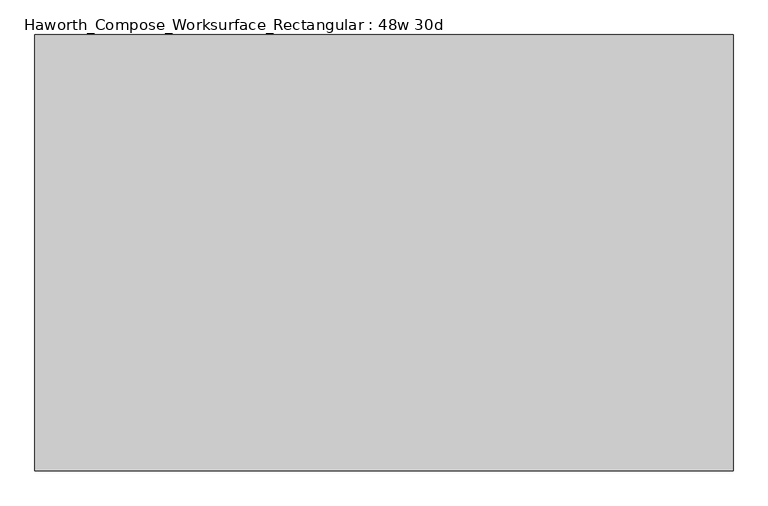
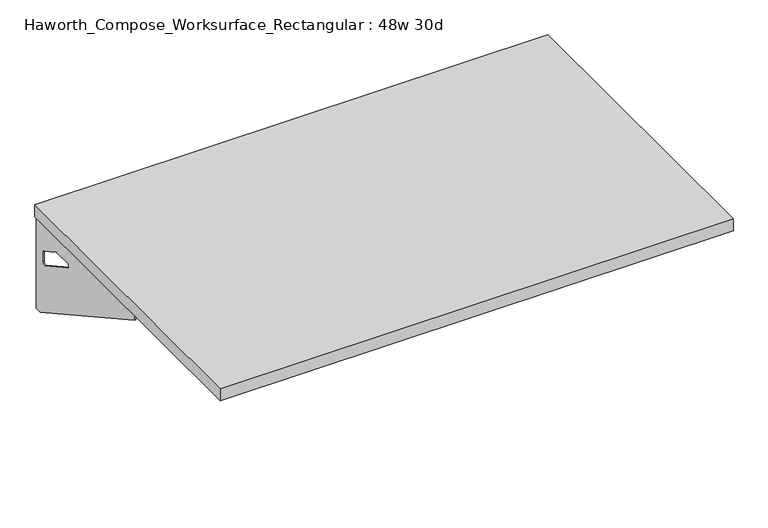
"""IFC4 building model written with IfcOpenShell, lengths in millimetres: furniture geometry, Haworth_Compose_Worksurface_Rectangular : 48w 30d."""

from ifc_helpers import new_model, si_unit, frame, origin, place, context, project, spatial, polyline, circle_curve, outline, extrude, source, transform, mapped, element, save
from ifc_brep_helpers import plane_surface, revolved_surface, advanced_brep


def haworth_compose_worksurface_rectangular_48w_30d_88270255(model_context):
    return source(origin(), model_context, "Body", "SolidModel", [
        advanced_brep(
        [(604.04375, 381.0, 475.45625), (604.04375, 365.125, 475.45625), (604.04375, -25.4, 691.7192568), (604.04375, -25.4, 704.05625), (604.04375, 365.125, 704.05625), (604.04375, 381.0, 704.05625), (604.04375, 297.690072, 665.95625), (604.04375, 254.0355284, 665.95625), (604.04375, 251.3564235, 656.3705539), (604.04375, 343.0776173, 605.5776439), (604.04375, 352.425, 611.1756969), (604.04375, 352.425, 634.6860246), (604.04375, 350.6730055, 637.5242776), (604.04375, 300.7663437, 665.1613425), (606.425, 381.0, 475.45625), (606.425, 381.0, 704.05625), (606.425, 365.125, 704.05625), (606.425, 365.125, 706.4375), (606.425, -25.4, 706.4375), (606.425, -25.4, 691.7192568), (606.425, 365.125, 475.45625), (606.425, 297.690072, 665.95625), (606.425, 300.7663437, 665.1613425), (606.425, 350.6730055, 637.5242776), (606.425, 352.425, 634.6860246), (606.425, 352.425, 611.1756969), (606.425, 343.0776173, 605.5776439), (606.425, 251.3564235, 656.3705539), (606.425, 254.0355284, 665.95625), (565.15, -25.4, 706.4375), (565.15, -25.4, 704.05625), (565.15, 365.125, 704.05625), (565.15, 365.125, 706.4375)],
        [
            (0, 1),
            (1, 2),
            (2, 3),
            (3, 4),
            (4, 5),
            (5, 0),
            (6, 7),
            (7, 8, circle_curve(frame((604.04375, 254.0355284, 660.7890106), z_axis=(1.0, 0.0, 0.0), x_axis=(0.0, -1.0, 0.0)), 5.1672394)),
            (8, 9),
            (9, 10, circle_curve(frame((604.04375, 346.075, 611.1756969), z_axis=(1.0, 0.0, 0.0), x_axis=(0.0, -1.0, 0.0)), 6.35)),
            (10, 11),
            (11, 12, circle_curve(frame((604.04375, 349.25, 634.6860246), z_axis=(1.0, 0.0, 0.0), x_axis=(0.0, -1.0, 0.0)), 3.175)),
            (12, 13),
            (13, 6, circle_curve(frame((604.04375, 297.690072, 659.60625), z_axis=(1.0, 0.0, 0.0), x_axis=(0.0, -1.0, 0.0)), 6.35)),
            (14, 15),
            (15, 16),
            (16, 17),
            (17, 18),
            (18, 19),
            (19, 20),
            (20, 14),
            (21, 22, circle_curve(frame((606.425, 297.690072, 659.60625), z_axis=(-1.0, 0.0, 0.0), x_axis=(0.0, -1.0, 0.0)), 6.35)),
            (22, 23),
            (23, 24, circle_curve(frame((606.425, 349.25, 634.6860246), z_axis=(-1.0, 0.0, 0.0), x_axis=(0.0, -1.0, 0.0)), 3.175)),
            (24, 25),
            (25, 26, circle_curve(frame((606.425, 346.075, 611.1756969), z_axis=(-1.0, 0.0, 0.0), x_axis=(0.0, -1.0, 0.0)), 6.35)),
            (26, 27),
            (27, 28, circle_curve(frame((606.425, 254.0355284, 660.7890106), z_axis=(-1.0, 0.0, 0.0), x_axis=(0.0, -1.0, 0.0)), 5.1672394)),
            (28, 21),
            (4, 16),
            (15, 5),
            (14, 0),
            (20, 1),
            (19, 2),
            (18, 29),
            (29, 30),
            (30, 3),
            (6, 21),
            (28, 7),
            (9, 26),
            (25, 10),
            (24, 11),
            (23, 12),
            (27, 8),
            (31, 4),
            (30, 31),
            (32, 29),
            (17, 32),
            (31, 32),
            (22, 13),
        ],
        [
            plane_surface(frame((604.04375, 381.0, 475.45625), z_axis=(-1.0, 0.0, 0.0), x_axis=(0.0, 1.0, 0.0))),
            plane_surface(frame((606.425, 381.0, 475.45625), z_axis=(1.0, 0.0, 0.0), x_axis=(0.0, -1.0, 0.0))),
            plane_surface(frame((606.425, -25.4, 704.05625), z_axis=(0.0, 0.0, 1.0), x_axis=(-1.0, 0.0, 0.0))),
            plane_surface(frame((606.425, 381.0, 704.05625), z_axis=(0.0, 1.0, 0.0), x_axis=(-1.0, 0.0, 0.0))),
            plane_surface(frame((606.425, 381.0, 475.45625), z_axis=(0.0, 0.0, -1.0), x_axis=(-1.0, 0.0, 0.0))),
            plane_surface(frame((606.425, 365.125, 475.45625), z_axis=(0.0, -0.48445223513455843, -0.8748177135112952), x_axis=(-1.0, 0.0, 0.0))),
            plane_surface(frame((606.425, -25.4, 691.7192568), z_axis=(0.0, -1.0, 0.0), x_axis=(-1.0, 0.0, 0.0))),
            plane_surface(frame((606.425, 297.690072, 665.95625), z_axis=(0.0, 0.0, -1.0), x_axis=(-1.0, 0.0, 0.0))),
            revolved_surface(polyline([(604.04375, 339.72499999999997, 611.1756969), (606.425, 339.72499999999997, 611.1756969)]), (606.425, 346.075, 611.1756969), (-1.0, 0.0, 0.0)),
            plane_surface(frame((606.425, 352.425, 611.1756969), z_axis=(0.0, -1.0, 0.0), x_axis=(-1.0, 0.0, 0.0))),
            revolved_surface(polyline([(604.04375, 346.075, 634.6860246), (606.425, 346.075, 634.6860246)]), (606.425, 349.25, 634.6860246), (-1.0, 0.0, 0.0)),
            revolved_surface(polyline([(604.04375, 248.868289, 660.7890106), (606.425, 248.868289, 660.7890106)]), (606.425, 254.0355284, 660.7890106), (-1.0, 0.0, 0.0)),
            plane_surface(frame((606.425, 365.125, 704.05625), z_axis=(0.0, 0.0, -1.0), x_axis=(-1.0, 0.0, 0.0))),
            plane_surface(frame((606.425, 365.125, 706.4375), z_axis=(0.0, 0.0, 1.0), x_axis=(1.0, 0.0, 0.0))),
            plane_surface(frame((565.15, 365.125, 706.4375), z_axis=(0.0, 1.0, 0.0), x_axis=(0.0, 0.0, -1.0))),
            plane_surface(frame((565.15, -25.4, 706.4375), z_axis=(-1.0, 0.0, 0.0), x_axis=(0.0, 0.0, -1.0))),
            plane_surface(frame((606.425, 251.3564235, 656.3705539), z_axis=(0.0, 0.4844522351345583, 0.8748177135112953), x_axis=(-1.0, 0.0, 0.0))),
            plane_surface(frame((606.425, 350.6730055, 637.5242776), z_axis=(0.0, -0.4844522351345582, -0.8748177135112953), x_axis=(-1.0, 0.0, 0.0))),
            revolved_surface(polyline([(604.04375, 291.34007199999996, 659.60625), (606.425, 291.34007199999996, 659.60625)]), (606.425, 297.690072, 659.60625), (-1.0, 0.0, 0.0)),
        ],
        [
            (0, [[1, 2, 3, 4, 5, 6], [7, 8, 9, 10, 11, 12, 13, 14]]),
            (1, [[15, 16, 17, 18, 19, 20, 21], [22, 23, 24, 25, 26, 27, 28, 29]]),
            (2, [[-5, 30, -16, 31]]),
            (3, [[-31, -15, 32, -6]]),
            (4, [[-32, -21, 33, -1]]),
            (5, [[-33, -20, 34, -2]]),
            (6, [[-34, -19, 35, 36, 37, -3]]),
            (7, [[38, -29, 39, -7]]),
            (8, [[40, -26, 41, -10]]),
            (9, [[-41, -25, 42, -11]]),
            (10, [[-42, -24, 43, -12]]),
            (11, [[-39, -28, 44, -8]]),
            (12, [[45, -4, -37, 46]]),
            (13, [[47, -35, -18, 48]]),
            (14, [[-17, -30, -45, 49, -48]]),
            (15, [[-36, -47, -49, -46]]),
            (16, [[-44, -27, -40, -9]]),
            (17, [[-43, -23, 50, -13]]),
            (18, [[-50, -22, -38, -14]]),
        ],
    ),
        advanced_brep(
        [(-604.04375, 381.0, 475.45625), (-604.04375, 381.0, 704.05625), (-604.04375, 365.125, 704.05625), (-604.04375, -25.4, 704.05625), (-604.04375, -25.4, 691.7192568), (-604.04375, 365.125, 475.45625), (-604.04375, 297.690072, 665.95625), (-604.04375, 300.7663437, 665.1613425), (-604.04375, 350.6730055, 637.5242776), (-604.04375, 352.425, 634.6860246), (-604.04375, 352.425, 611.1756969), (-604.04375, 343.0776173, 605.5776439), (-604.04375, 251.3564235, 656.3705539), (-604.04375, 254.0355284, 665.95625), (-606.425, 381.0, 475.45625), (-606.425, 365.125, 475.45625), (-606.425, -25.4, 691.7192568), (-606.425, -25.4, 706.4375), (-606.425, 365.125, 706.4375), (-606.425, 365.125, 704.05625), (-606.425, 381.0, 704.05625), (-606.425, 297.690072, 665.95625), (-606.425, 254.0355284, 665.95625), (-606.425, 251.3564235, 656.3705539), (-606.425, 343.0776173, 605.5776439), (-606.425, 352.425, 611.1756969), (-606.425, 352.425, 634.6860246), (-606.425, 350.6730055, 637.5242776), (-606.425, 300.7663437, 665.1613425), (-565.15, -25.4, 704.05625), (-565.15, -25.4, 706.4375), (-565.15, 365.125, 704.05625), (-565.15, 365.125, 706.4375)],
        [
            (0, 1),
            (1, 2),
            (2, 3),
            (3, 4),
            (4, 5),
            (5, 0),
            (6, 7, circle_curve(frame((-604.04375, 297.690072, 659.60625), z_axis=(-1.0, 0.0, 0.0), x_axis=(0.0, -1.0, 0.0)), 6.35)),
            (7, 8),
            (8, 9, circle_curve(frame((-604.04375, 349.25, 634.6860246), z_axis=(-1.0, 0.0, 0.0), x_axis=(0.0, -1.0, 0.0)), 3.175)),
            (9, 10),
            (10, 11, circle_curve(frame((-604.04375, 346.075, 611.1756969), z_axis=(-1.0, 0.0, 0.0), x_axis=(0.0, -1.0, 0.0)), 6.35)),
            (11, 12),
            (12, 13, circle_curve(frame((-604.04375, 254.0355284, 660.7890106), z_axis=(-1.0, 0.0, 0.0), x_axis=(0.0, -1.0, 0.0)), 5.1672394)),
            (13, 6),
            (14, 15),
            (15, 16),
            (16, 17),
            (17, 18),
            (18, 19),
            (19, 20),
            (20, 14),
            (21, 22),
            (22, 23, circle_curve(frame((-606.425, 254.0355284, 660.7890106), z_axis=(1.0, 0.0, 0.0), x_axis=(0.0, -1.0, 0.0)), 5.1672394)),
            (23, 24),
            (24, 25, circle_curve(frame((-606.425, 346.075, 611.1756969), z_axis=(1.0, 0.0, 0.0), x_axis=(0.0, -1.0, 0.0)), 6.35)),
            (25, 26),
            (26, 27, circle_curve(frame((-606.425, 349.25, 634.6860246), z_axis=(1.0, 0.0, 0.0), x_axis=(0.0, -1.0, 0.0)), 3.175)),
            (27, 28),
            (28, 21, circle_curve(frame((-606.425, 297.690072, 659.60625), z_axis=(1.0, 0.0, 0.0), x_axis=(0.0, -1.0, 0.0)), 6.35)),
            (1, 20),
            (19, 2),
            (0, 14),
            (5, 15),
            (4, 16),
            (3, 29),
            (29, 30),
            (30, 17),
            (13, 22),
            (21, 6),
            (10, 25),
            (24, 11),
            (9, 26),
            (8, 27),
            (12, 23),
            (31, 29),
            (2, 31),
            (32, 18),
            (30, 32),
            (32, 31),
            (7, 28),
        ],
        [
            plane_surface(frame((-604.04375, 381.0, 475.45625), z_axis=(1.0, 0.0, 0.0), x_axis=(0.0, 1.0, 0.0))),
            plane_surface(frame((-606.425, 381.0, 475.45625), z_axis=(-1.0, 0.0, 0.0), x_axis=(0.0, -1.0, 0.0))),
            plane_surface(frame((-606.425, -25.4, 704.05625), z_axis=(0.0, 0.0, 1.0), x_axis=(1.0, 0.0, 0.0))),
            plane_surface(frame((-606.425, 381.0, 704.05625), z_axis=(0.0, 1.0, 0.0), x_axis=(1.0, 0.0, 0.0))),
            plane_surface(frame((-606.425, 381.0, 475.45625), z_axis=(0.0, 0.0, -1.0), x_axis=(1.0, 0.0, 0.0))),
            plane_surface(frame((-606.425, 365.125, 475.45625), z_axis=(0.0, -0.48445223513455843, -0.8748177135112952), x_axis=(1.0, 0.0, 0.0))),
            plane_surface(frame((-606.425, -25.4, 691.7192568), z_axis=(0.0, -1.0, 0.0), x_axis=(1.0, 0.0, 0.0))),
            plane_surface(frame((-606.425, 297.690072, 665.95625), z_axis=(0.0, 0.0, -1.0), x_axis=(1.0, 0.0, 0.0))),
            revolved_surface(polyline([(-604.04375, 339.72499999999997, 611.1756969), (-606.425, 339.72499999999997, 611.1756969)]), (-606.425, 346.075, 611.1756969), (1.0, 0.0, 0.0)),
            plane_surface(frame((-606.425, 352.425, 611.1756969), z_axis=(0.0, -1.0, 0.0), x_axis=(1.0, 0.0, 0.0))),
            revolved_surface(polyline([(-604.04375, 346.075, 634.6860246), (-606.425, 346.075, 634.6860246)]), (-606.425, 349.25, 634.6860246), (1.0, 0.0, 0.0)),
            revolved_surface(polyline([(-604.04375, 248.868289, 660.7890106), (-606.425, 248.868289, 660.7890106)]), (-606.425, 254.0355284, 660.7890106), (1.0, 0.0, 0.0)),
            plane_surface(frame((-606.425, 365.125, 704.05625), z_axis=(0.0, 0.0, -1.0), x_axis=(1.0, 0.0, 0.0))),
            plane_surface(frame((-606.425, 365.125, 706.4375), z_axis=(0.0, 0.0, 1.0), x_axis=(-1.0, 0.0, 0.0))),
            plane_surface(frame((-565.15, 365.125, 706.4375), z_axis=(0.0, 1.0, 0.0), x_axis=(0.0, 0.0, -1.0))),
            plane_surface(frame((-565.15, -25.4, 706.4375), z_axis=(1.0, 0.0, 0.0), x_axis=(0.0, 0.0, -1.0))),
            plane_surface(frame((-606.425, 251.3564235, 656.3705539), z_axis=(0.0, 0.4844522351345583, 0.8748177135112953), x_axis=(1.0, 0.0, 0.0))),
            plane_surface(frame((-606.425, 350.6730055, 637.5242776), z_axis=(0.0, -0.4844522351345582, -0.8748177135112953), x_axis=(1.0, 0.0, 0.0))),
            revolved_surface(polyline([(-604.04375, 291.34007199999996, 659.60625), (-606.425, 291.34007199999996, 659.60625)]), (-606.425, 297.690072, 659.60625), (1.0, 0.0, 0.0)),
        ],
        [
            (0, [[1, 2, 3, 4, 5, 6], [7, 8, 9, 10, 11, 12, 13, 14]]),
            (1, [[15, 16, 17, 18, 19, 20, 21], [22, 23, 24, 25, 26, 27, 28, 29]]),
            (2, [[30, -20, 31, -2]]),
            (3, [[-1, 32, -21, -30]]),
            (4, [[-6, 33, -15, -32]]),
            (5, [[-5, 34, -16, -33]]),
            (6, [[-4, 35, 36, 37, -17, -34]]),
            (7, [[-14, 38, -22, 39]]),
            (8, [[-11, 40, -25, 41]]),
            (9, [[-10, 42, -26, -40]]),
            (10, [[-9, 43, -27, -42]]),
            (11, [[-13, 44, -23, -38]]),
            (12, [[45, -35, -3, 46]]),
            (13, [[47, -18, -37, 48]]),
            (14, [[-47, 49, -46, -31, -19]]),
            (15, [[-45, -49, -48, -36]]),
            (16, [[-12, -41, -24, -44]]),
            (17, [[-8, 50, -28, -43]]),
            (18, [[-7, -39, -29, -50]]),
        ],
    ),
        extrude(outline(polyline([(609.6, 381.0), (609.6, -381.0), (-609.6, -381.0), (-609.6, 381.0), (609.6, 381.0)])), frame((0.0, 0.0, 706.4375), z_axis=(0.0, 0.0, 1.0), x_axis=(1.0, 0.0, 0.0)), (0.0, 0.0, 1.0), 30.1625),
    ])


if __name__ == "__main__":
    model = new_model("IFC4")
    model_context = context("Model", 3, world=origin())
    ifc_project = project(units=[si_unit("LENGTHUNIT", "METRE", prefix="MILLI")], contexts=[model_context])
    site = spatial("IfcSite", under=ifc_project)
    building = spatial("IfcBuilding", under=site)
    placement = place(None, origin())
    haworth_compose_worksurface_rectangular_48w_30d_shape = haworth_compose_worksurface_rectangular_48w_30d_88270255(model_context)
    element("IfcFurniture", 1, ObjectType="Haworth_Compose_Worksurface_Rectangular : 48w 30d", at=placement, inside=building, context=model_context, shape_type="MappedRepresentation", body=[
        mapped(haworth_compose_worksurface_rectangular_48w_30d_shape, transform((0.0, 0.0, 0.0), x_axis=(1.0, 0.0, 0.0), y_axis=(0.0, 1.0, 0.0), z_axis=(0.0, 0.0, 1.0))),
    ])
    save(model, "model.ifc")
